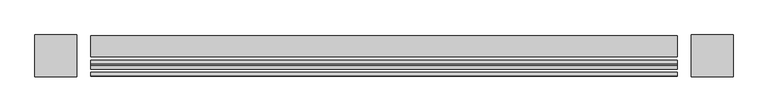
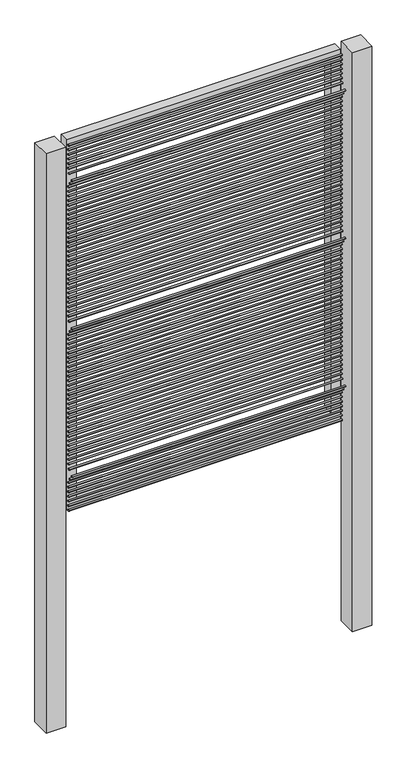
"""IFC4 building model written with IfcOpenShell, lengths in millimetres: railing geometry."""

from ifc_helpers import new_model, si_unit, point, frame, frame_2d, origin, place, context, project, spatial, polyline, circle_curve, trimmed, segment, composite_curve, outline, extrude, source, transform, mapped, element, save


def railing_b1a46bf4(model_context):
    return source(origin(), model_context, "Body", "SweptSolid", [
        extrude(outline(composite_curve([segment(trimmed(circle_curve(frame_2d((13579.8304142, 28.575)), 3.175), [point((13576.6554142, 28.575))], [point((13583.0054142, 28.575))], False, "CARTESIAN"), True, "CONTINUOUS"), segment(trimmed(circle_curve(frame_2d((13579.8304142, 28.575)), 3.175), [point((13583.0054142, 28.575))], [point((13576.6554142, 28.575))], False, "CARTESIAN"), True, "CONTINUOUS")], self_intersect=False)), frame((-19531.5806958, 0.0, 0.0), z_axis=(1.0, 0.0, 0.0), x_axis=(0.0, 1.0, 0.0)), (0.0, 0.0, 1.0), 1066.8),
        extrude(outline(composite_curve([segment(trimmed(circle_curve(frame_2d((13579.8304142, 47.625)), 3.175), [point((13576.6554142, 47.625))], [point((13583.0054142, 47.625))], False, "CARTESIAN"), True, "CONTINUOUS"), segment(trimmed(circle_curve(frame_2d((13579.8304142, 47.625)), 3.175), [point((13583.0054142, 47.625))], [point((13576.6554142, 47.625))], False, "CARTESIAN"), True, "CONTINUOUS")], self_intersect=False)), frame((-19531.5806958, 0.0, 0.0), z_axis=(1.0, 0.0, 0.0), x_axis=(0.0, 1.0, 0.0)), (0.0, 0.0, 1.0), 1066.8),
        extrude(outline(composite_curve([segment(trimmed(circle_curve(frame_2d((13579.8304142, 66.675)), 3.175), [point((13576.6554142, 66.675))], [point((13583.0054142, 66.675))], False, "CARTESIAN"), True, "CONTINUOUS"), segment(trimmed(circle_curve(frame_2d((13579.8304142, 66.675)), 3.175), [point((13583.0054142, 66.675))], [point((13576.6554142, 66.675))], False, "CARTESIAN"), True, "CONTINUOUS")], self_intersect=False)), frame((-19531.5806958, 0.0, 0.0), z_axis=(1.0, 0.0, 0.0), x_axis=(0.0, 1.0, 0.0)), (0.0, 0.0, 1.0), 1066.8),
        extrude(outline(composite_curve([segment(trimmed(circle_curve(frame_2d((13579.8304142, 85.725)), 3.175), [point((13576.6554142, 85.725))], [point((13583.0054142, 85.725))], False, "CARTESIAN"), True, "CONTINUOUS"), segment(trimmed(circle_curve(frame_2d((13579.8304142, 85.725)), 3.175), [point((13583.0054142, 85.725))], [point((13576.6554142, 85.725))], False, "CARTESIAN"), True, "CONTINUOUS")], self_intersect=False)), frame((-19531.5806958, 0.0, 0.0), z_axis=(1.0, 0.0, 0.0), x_axis=(0.0, 1.0, 0.0)), (0.0, 0.0, 1.0), 1066.8),
        extrude(outline(composite_curve([segment(trimmed(circle_curve(frame_2d((13579.8304142, 104.775)), 3.175), [point((13576.6554142, 104.775))], [point((13583.0054142, 104.775))], False, "CARTESIAN"), True, "CONTINUOUS"), segment(trimmed(circle_curve(frame_2d((13579.8304142, 104.775)), 3.175), [point((13583.0054142, 104.775))], [point((13576.6554142, 104.775))], False, "CARTESIAN"), True, "CONTINUOUS")], self_intersect=False)), frame((-19531.5806958, 0.0, 0.0), z_axis=(1.0, 0.0, 0.0), x_axis=(0.0, 1.0, 0.0)), (0.0, 0.0, 1.0), 1066.8),
        extrude(outline(composite_curve([segment(trimmed(circle_curve(frame_2d((13579.8304142, 123.825)), 3.175), [point((13576.6554142, 123.825))], [point((13583.0054142, 123.825))], False, "CARTESIAN"), True, "CONTINUOUS"), segment(trimmed(circle_curve(frame_2d((13579.8304142, 123.825)), 3.175), [point((13583.0054142, 123.825))], [point((13576.6554142, 123.825))], False, "CARTESIAN"), True, "CONTINUOUS")], self_intersect=False)), frame((-19531.5806958, 0.0, 0.0), z_axis=(1.0, 0.0, 0.0), x_axis=(0.0, 1.0, 0.0)), (0.0, 0.0, 1.0), 1066.8),
        extrude(outline(composite_curve([segment(trimmed(circle_curve(frame_2d((13579.8304142, 142.875)), 3.175), [point((13576.6554142, 142.875))], [point((13583.0054142, 142.875))], False, "CARTESIAN"), True, "CONTINUOUS"), segment(trimmed(circle_curve(frame_2d((13579.8304142, 142.875)), 3.175), [point((13583.0054142, 142.875))], [point((13576.6554142, 142.875))], False, "CARTESIAN"), True, "CONTINUOUS")], self_intersect=False)), frame((-19531.5806958, 0.0, 0.0), z_axis=(1.0, 0.0, 0.0), x_axis=(0.0, 1.0, 0.0)), (0.0, 0.0, 1.0), 1066.8),
        extrude(outline(composite_curve([segment(trimmed(circle_curve(frame_2d((13570.1771382, 161.925)), 3.175), [point((13567.0021382, 161.925))], [point((13573.3521382, 161.925))], False, "CARTESIAN"), True, "CONTINUOUS"), segment(trimmed(circle_curve(frame_2d((13570.1771382, 161.925)), 3.175), [point((13573.3521382, 161.925))], [point((13567.0021382, 161.925))], False, "CARTESIAN"), True, "CONTINUOUS")], self_intersect=False)), frame((-19531.5806958, 0.0, 0.0), z_axis=(1.0, 0.0, 0.0), x_axis=(0.0, 1.0, 0.0)), (0.0, 0.0, 1.0), 1066.8),
        extrude(outline(composite_curve([segment(trimmed(circle_curve(frame_2d((13557.4771382, 180.975)), 3.175), [point((13554.3021382, 180.975))], [point((13560.6521382, 180.975))], False, "CARTESIAN"), True, "CONTINUOUS"), segment(trimmed(circle_curve(frame_2d((13557.4771382, 180.975)), 3.175), [point((13560.6521382, 180.975))], [point((13554.3021382, 180.975))], False, "CARTESIAN"), True, "CONTINUOUS")], self_intersect=False)), frame((-19531.5806958, 0.0, 0.0), z_axis=(1.0, 0.0, 0.0), x_axis=(0.0, 1.0, 0.0)), (0.0, 0.0, 1.0), 1066.8),
        extrude(outline(composite_curve([segment(trimmed(circle_curve(frame_2d((13576.2585392, 200.025)), 3.175), [point((13573.0835392, 200.025))], [point((13579.4335392, 200.025))], False, "CARTESIAN"), True, "CONTINUOUS"), segment(trimmed(circle_curve(frame_2d((13576.2585392, 200.025)), 3.175), [point((13579.4335392, 200.025))], [point((13573.0835392, 200.025))], False, "CARTESIAN"), True, "CONTINUOUS")], self_intersect=False)), frame((-19531.5806958, 0.0, 0.0), z_axis=(1.0, 0.0, 0.0), x_axis=(0.0, 1.0, 0.0)), (0.0, 0.0, 1.0), 1066.8),
        extrude(outline(composite_curve([segment(trimmed(circle_curve(frame_2d((13579.8304142, 219.075)), 3.175), [point((13576.6554142, 219.075))], [point((13583.0054142, 219.075))], False, "CARTESIAN"), True, "CONTINUOUS"), segment(trimmed(circle_curve(frame_2d((13579.8304142, 219.075)), 3.175), [point((13583.0054142, 219.075))], [point((13576.6554142, 219.075))], False, "CARTESIAN"), True, "CONTINUOUS")], self_intersect=False)), frame((-19531.5806958, 0.0, 0.0), z_axis=(1.0, 0.0, 0.0), x_axis=(0.0, 1.0, 0.0)), (0.0, 0.0, 1.0), 1066.8),
        extrude(outline(composite_curve([segment(trimmed(circle_curve(frame_2d((13579.8304142, 238.125)), 3.175), [point((13576.6554142, 238.125))], [point((13583.0054142, 238.125))], False, "CARTESIAN"), True, "CONTINUOUS"), segment(trimmed(circle_curve(frame_2d((13579.8304142, 238.125)), 3.175), [point((13583.0054142, 238.125))], [point((13576.6554142, 238.125))], False, "CARTESIAN"), True, "CONTINUOUS")], self_intersect=False)), frame((-19531.5806958, 0.0, 0.0), z_axis=(1.0, 0.0, 0.0), x_axis=(0.0, 1.0, 0.0)), (0.0, 0.0, 1.0), 1066.8),
        extrude(outline(composite_curve([segment(trimmed(circle_curve(frame_2d((13579.8304142, 257.175)), 3.175), [point((13576.6554142, 257.175))], [point((13583.0054142, 257.175))], False, "CARTESIAN"), True, "CONTINUOUS"), segment(trimmed(circle_curve(frame_2d((13579.8304142, 257.175)), 3.175), [point((13583.0054142, 257.175))], [point((13576.6554142, 257.175))], False, "CARTESIAN"), True, "CONTINUOUS")], self_intersect=False)), frame((-19531.5806958, 0.0, 0.0), z_axis=(1.0, 0.0, 0.0), x_axis=(0.0, 1.0, 0.0)), (0.0, 0.0, 1.0), 1066.8),
        extrude(outline(composite_curve([segment(trimmed(circle_curve(frame_2d((13579.8304142, 276.225)), 3.175), [point((13576.6554142, 276.225))], [point((13583.0054142, 276.225))], False, "CARTESIAN"), True, "CONTINUOUS"), segment(trimmed(circle_curve(frame_2d((13579.8304142, 276.225)), 3.175), [point((13583.0054142, 276.225))], [point((13576.6554142, 276.225))], False, "CARTESIAN"), True, "CONTINUOUS")], self_intersect=False)), frame((-19531.5806958, 0.0, 0.0), z_axis=(1.0, 0.0, 0.0), x_axis=(0.0, 1.0, 0.0)), (0.0, 0.0, 1.0), 1066.8),
        extrude(outline(composite_curve([segment(trimmed(circle_curve(frame_2d((13579.8304142, 295.275)), 3.175), [point((13576.6554142, 295.275))], [point((13583.0054142, 295.275))], False, "CARTESIAN"), True, "CONTINUOUS"), segment(trimmed(circle_curve(frame_2d((13579.8304142, 295.275)), 3.175), [point((13583.0054142, 295.275))], [point((13576.6554142, 295.275))], False, "CARTESIAN"), True, "CONTINUOUS")], self_intersect=False)), frame((-19531.5806958, 0.0, 0.0), z_axis=(1.0, 0.0, 0.0), x_axis=(0.0, 1.0, 0.0)), (0.0, 0.0, 1.0), 1066.8),
        extrude(outline(composite_curve([segment(trimmed(circle_curve(frame_2d((13579.8304142, 314.325)), 3.175), [point((13576.6554142, 314.325))], [point((13583.0054142, 314.325))], False, "CARTESIAN"), True, "CONTINUOUS"), segment(trimmed(circle_curve(frame_2d((13579.8304142, 314.325)), 3.175), [point((13583.0054142, 314.325))], [point((13576.6554142, 314.325))], False, "CARTESIAN"), True, "CONTINUOUS")], self_intersect=False)), frame((-19531.5806958, 0.0, 0.0), z_axis=(1.0, 0.0, 0.0), x_axis=(0.0, 1.0, 0.0)), (0.0, 0.0, 1.0), 1066.8),
        extrude(outline(composite_curve([segment(trimmed(circle_curve(frame_2d((13579.8304142, 333.375)), 3.175), [point((13576.6554142, 333.375))], [point((13583.0054142, 333.375))], False, "CARTESIAN"), True, "CONTINUOUS"), segment(trimmed(circle_curve(frame_2d((13579.8304142, 333.375)), 3.175), [point((13583.0054142, 333.375))], [point((13576.6554142, 333.375))], False, "CARTESIAN"), True, "CONTINUOUS")], self_intersect=False)), frame((-19531.5806958, 0.0, 0.0), z_axis=(1.0, 0.0, 0.0), x_axis=(0.0, 1.0, 0.0)), (0.0, 0.0, 1.0), 1066.8),
        extrude(outline(composite_curve([segment(trimmed(circle_curve(frame_2d((13579.8304142, 352.425)), 3.175), [point((13576.6554142, 352.425))], [point((13583.0054142, 352.425))], False, "CARTESIAN"), True, "CONTINUOUS"), segment(trimmed(circle_curve(frame_2d((13579.8304142, 352.425)), 3.175), [point((13583.0054142, 352.425))], [point((13576.6554142, 352.425))], False, "CARTESIAN"), True, "CONTINUOUS")], self_intersect=False)), frame((-19531.5806958, 0.0, 0.0), z_axis=(1.0, 0.0, 0.0), x_axis=(0.0, 1.0, 0.0)), (0.0, 0.0, 1.0), 1066.8),
        extrude(outline(composite_curve([segment(trimmed(circle_curve(frame_2d((13579.8304142, 371.475)), 3.175), [point((13576.6554142, 371.475))], [point((13583.0054142, 371.475))], False, "CARTESIAN"), True, "CONTINUOUS"), segment(trimmed(circle_curve(frame_2d((13579.8304142, 371.475)), 3.175), [point((13583.0054142, 371.475))], [point((13576.6554142, 371.475))], False, "CARTESIAN"), True, "CONTINUOUS")], self_intersect=False)), frame((-19531.5806958, 0.0, 0.0), z_axis=(1.0, 0.0, 0.0), x_axis=(0.0, 1.0, 0.0)), (0.0, 0.0, 1.0), 1066.8),
        extrude(outline(composite_curve([segment(trimmed(circle_curve(frame_2d((13579.8304142, 390.525)), 3.175), [point((13576.6554142, 390.525))], [point((13583.0054142, 390.525))], False, "CARTESIAN"), True, "CONTINUOUS"), segment(trimmed(circle_curve(frame_2d((13579.8304142, 390.525)), 3.175), [point((13583.0054142, 390.525))], [point((13576.6554142, 390.525))], False, "CARTESIAN"), True, "CONTINUOUS")], self_intersect=False)), frame((-19531.5806958, 0.0, 0.0), z_axis=(1.0, 0.0, 0.0), x_axis=(0.0, 1.0, 0.0)), (0.0, 0.0, 1.0), 1066.8),
        extrude(outline(composite_curve([segment(trimmed(circle_curve(frame_2d((13579.8304142, 409.575)), 3.175), [point((13576.6554142, 409.575))], [point((13583.0054142, 409.575))], False, "CARTESIAN"), True, "CONTINUOUS"), segment(trimmed(circle_curve(frame_2d((13579.8304142, 409.575)), 3.175), [point((13583.0054142, 409.575))], [point((13576.6554142, 409.575))], False, "CARTESIAN"), True, "CONTINUOUS")], self_intersect=False)), frame((-19531.5806958, 0.0, 0.0), z_axis=(1.0, 0.0, 0.0), x_axis=(0.0, 1.0, 0.0)), (0.0, 0.0, 1.0), 1066.8),
        extrude(outline(composite_curve([segment(trimmed(circle_curve(frame_2d((13579.8304142, 428.625)), 3.175), [point((13576.6554142, 428.625))], [point((13583.0054142, 428.625))], False, "CARTESIAN"), True, "CONTINUOUS"), segment(trimmed(circle_curve(frame_2d((13579.8304142, 428.625)), 3.175), [point((13583.0054142, 428.625))], [point((13576.6554142, 428.625))], False, "CARTESIAN"), True, "CONTINUOUS")], self_intersect=False)), frame((-19531.5806958, 0.0, 0.0), z_axis=(1.0, 0.0, 0.0), x_axis=(0.0, 1.0, 0.0)), (0.0, 0.0, 1.0), 1066.8),
        extrude(outline(composite_curve([segment(trimmed(circle_curve(frame_2d((13579.8304142, 447.675)), 3.175), [point((13576.6554142, 447.675))], [point((13583.0054142, 447.675))], False, "CARTESIAN"), True, "CONTINUOUS"), segment(trimmed(circle_curve(frame_2d((13579.8304142, 447.675)), 3.175), [point((13583.0054142, 447.675))], [point((13576.6554142, 447.675))], False, "CARTESIAN"), True, "CONTINUOUS")], self_intersect=False)), frame((-19531.5806958, 0.0, 0.0), z_axis=(1.0, 0.0, 0.0), x_axis=(0.0, 1.0, 0.0)), (0.0, 0.0, 1.0), 1066.8),
        extrude(outline(composite_curve([segment(trimmed(circle_curve(frame_2d((13579.8304142, 466.725)), 3.175), [point((13576.6554142, 466.725))], [point((13583.0054142, 466.725))], False, "CARTESIAN"), True, "CONTINUOUS"), segment(trimmed(circle_curve(frame_2d((13579.8304142, 466.725)), 3.175), [point((13583.0054142, 466.725))], [point((13576.6554142, 466.725))], False, "CARTESIAN"), True, "CONTINUOUS")], self_intersect=False)), frame((-19531.5806958, 0.0, 0.0), z_axis=(1.0, 0.0, 0.0), x_axis=(0.0, 1.0, 0.0)), (0.0, 0.0, 1.0), 1066.8),
        extrude(outline(composite_curve([segment(trimmed(circle_curve(frame_2d((13579.8304142, 485.775)), 3.175), [point((13576.6554142, 485.775))], [point((13583.0054142, 485.775))], False, "CARTESIAN"), True, "CONTINUOUS"), segment(trimmed(circle_curve(frame_2d((13579.8304142, 485.775)), 3.175), [point((13583.0054142, 485.775))], [point((13576.6554142, 485.775))], False, "CARTESIAN"), True, "CONTINUOUS")], self_intersect=False)), frame((-19531.5806958, 0.0, 0.0), z_axis=(1.0, 0.0, 0.0), x_axis=(0.0, 1.0, 0.0)), (0.0, 0.0, 1.0), 1066.8),
        extrude(outline(composite_curve([segment(trimmed(circle_curve(frame_2d((13579.8304142, 504.825)), 3.175), [point((13576.6554142, 504.825))], [point((13583.0054142, 504.825))], False, "CARTESIAN"), True, "CONTINUOUS"), segment(trimmed(circle_curve(frame_2d((13579.8304142, 504.825)), 3.175), [point((13583.0054142, 504.825))], [point((13576.6554142, 504.825))], False, "CARTESIAN"), True, "CONTINUOUS")], self_intersect=False)), frame((-19531.5806958, 0.0, 0.0), z_axis=(1.0, 0.0, 0.0), x_axis=(0.0, 1.0, 0.0)), (0.0, 0.0, 1.0), 1066.8),
        extrude(outline(composite_curve([segment(trimmed(circle_curve(frame_2d((13579.8304142, 523.875)), 3.175), [point((13576.6554142, 523.875))], [point((13583.0054142, 523.875))], False, "CARTESIAN"), True, "CONTINUOUS"), segment(trimmed(circle_curve(frame_2d((13579.8304142, 523.875)), 3.175), [point((13583.0054142, 523.875))], [point((13576.6554142, 523.875))], False, "CARTESIAN"), True, "CONTINUOUS")], self_intersect=False)), frame((-19531.5806958, 0.0, 0.0), z_axis=(1.0, 0.0, 0.0), x_axis=(0.0, 1.0, 0.0)), (0.0, 0.0, 1.0), 1066.8),
        extrude(outline(composite_curve([segment(trimmed(circle_curve(frame_2d((13579.8304142, 542.925)), 3.175), [point((13576.6554142, 542.925))], [point((13583.0054142, 542.925))], False, "CARTESIAN"), True, "CONTINUOUS"), segment(trimmed(circle_curve(frame_2d((13579.8304142, 542.925)), 3.175), [point((13583.0054142, 542.925))], [point((13576.6554142, 542.925))], False, "CARTESIAN"), True, "CONTINUOUS")], self_intersect=False)), frame((-19531.5806958, 0.0, 0.0), z_axis=(1.0, 0.0, 0.0), x_axis=(0.0, 1.0, 0.0)), (0.0, 0.0, 1.0), 1066.8),
        extrude(outline(composite_curve([segment(trimmed(circle_curve(frame_2d((13579.8304142, 561.975)), 3.175), [point((13576.6554142, 561.975))], [point((13583.0054142, 561.975))], False, "CARTESIAN"), True, "CONTINUOUS"), segment(trimmed(circle_curve(frame_2d((13579.8304142, 561.975)), 3.175), [point((13583.0054142, 561.975))], [point((13576.6554142, 561.975))], False, "CARTESIAN"), True, "CONTINUOUS")], self_intersect=False)), frame((-19531.5806958, 0.0, 0.0), z_axis=(1.0, 0.0, 0.0), x_axis=(0.0, 1.0, 0.0)), (0.0, 0.0, 1.0), 1066.8),
        extrude(outline(composite_curve([segment(trimmed(circle_curve(frame_2d((13579.8304142, 581.025)), 3.175), [point((13576.6554142, 581.025))], [point((13583.0054142, 581.025))], False, "CARTESIAN"), True, "CONTINUOUS"), segment(trimmed(circle_curve(frame_2d((13579.8304142, 581.025)), 3.175), [point((13583.0054142, 581.025))], [point((13576.6554142, 581.025))], False, "CARTESIAN"), True, "CONTINUOUS")], self_intersect=False)), frame((-19531.5806958, 0.0, 0.0), z_axis=(1.0, 0.0, 0.0), x_axis=(0.0, 1.0, 0.0)), (0.0, 0.0, 1.0), 1066.8),
        extrude(outline(composite_curve([segment(trimmed(circle_curve(frame_2d((13579.8304142, 600.075)), 3.175), [point((13576.6554142, 600.075))], [point((13583.0054142, 600.075))], False, "CARTESIAN"), True, "CONTINUOUS"), segment(trimmed(circle_curve(frame_2d((13579.8304142, 600.075)), 3.175), [point((13583.0054142, 600.075))], [point((13576.6554142, 600.075))], False, "CARTESIAN"), True, "CONTINUOUS")], self_intersect=False)), frame((-19531.5806958, 0.0, 0.0), z_axis=(1.0, 0.0, 0.0), x_axis=(0.0, 1.0, 0.0)), (0.0, 0.0, 1.0), 1066.8),
        extrude(outline(composite_curve([segment(trimmed(circle_curve(frame_2d((13579.8304142, 619.125)), 3.175), [point((13576.6554142, 619.125))], [point((13583.0054142, 619.125))], False, "CARTESIAN"), True, "CONTINUOUS"), segment(trimmed(circle_curve(frame_2d((13579.8304142, 619.125)), 3.175), [point((13583.0054142, 619.125))], [point((13576.6554142, 619.125))], False, "CARTESIAN"), True, "CONTINUOUS")], self_intersect=False)), frame((-19531.5806958, 0.0, 0.0), z_axis=(1.0, 0.0, 0.0), x_axis=(0.0, 1.0, 0.0)), (0.0, 0.0, 1.0), 1066.8),
        extrude(outline(composite_curve([segment(trimmed(circle_curve(frame_2d((13579.8304142, 638.175)), 3.175), [point((13576.6554142, 638.175))], [point((13583.0054142, 638.175))], False, "CARTESIAN"), True, "CONTINUOUS"), segment(trimmed(circle_curve(frame_2d((13579.8304142, 638.175)), 3.175), [point((13583.0054142, 638.175))], [point((13576.6554142, 638.175))], False, "CARTESIAN"), True, "CONTINUOUS")], self_intersect=False)), frame((-19531.5806958, 0.0, 0.0), z_axis=(1.0, 0.0, 0.0), x_axis=(0.0, 1.0, 0.0)), (0.0, 0.0, 1.0), 1066.8),
        extrude(outline(composite_curve([segment(trimmed(circle_curve(frame_2d((13579.8304142, 657.225)), 3.175), [point((13576.6554142, 657.225))], [point((13583.0054142, 657.225))], False, "CARTESIAN"), True, "CONTINUOUS"), segment(trimmed(circle_curve(frame_2d((13579.8304142, 657.225)), 3.175), [point((13583.0054142, 657.225))], [point((13576.6554142, 657.225))], False, "CARTESIAN"), True, "CONTINUOUS")], self_intersect=False)), frame((-19531.5806958, 0.0, 0.0), z_axis=(1.0, 0.0, 0.0), x_axis=(0.0, 1.0, 0.0)), (0.0, 0.0, 1.0), 1066.8),
        extrude(outline(composite_curve([segment(trimmed(circle_curve(frame_2d((13579.8304142, 676.275)), 3.175), [point((13576.6554142, 676.275))], [point((13583.0054142, 676.275))], False, "CARTESIAN"), True, "CONTINUOUS"), segment(trimmed(circle_curve(frame_2d((13579.8304142, 676.275)), 3.175), [point((13583.0054142, 676.275))], [point((13576.6554142, 676.275))], False, "CARTESIAN"), True, "CONTINUOUS")], self_intersect=False)), frame((-19531.5806958, 0.0, 0.0), z_axis=(1.0, 0.0, 0.0), x_axis=(0.0, 1.0, 0.0)), (0.0, 0.0, 1.0), 1066.8),
        extrude(outline(composite_curve([segment(trimmed(circle_curve(frame_2d((13579.8304142, 695.325)), 3.175), [point((13576.6554142, 695.325))], [point((13583.0054142, 695.325))], False, "CARTESIAN"), True, "CONTINUOUS"), segment(trimmed(circle_curve(frame_2d((13579.8304142, 695.325)), 3.175), [point((13583.0054142, 695.325))], [point((13576.6554142, 695.325))], False, "CARTESIAN"), True, "CONTINUOUS")], self_intersect=False)), frame((-19531.5806958, 0.0, 0.0), z_axis=(1.0, 0.0, 0.0), x_axis=(0.0, 1.0, 0.0)), (0.0, 0.0, 1.0), 1066.8),
        extrude(outline(composite_curve([segment(trimmed(circle_curve(frame_2d((13579.8304142, 714.375)), 3.175), [point((13576.6554142, 714.375))], [point((13583.0054142, 714.375))], False, "CARTESIAN"), True, "CONTINUOUS"), segment(trimmed(circle_curve(frame_2d((13579.8304142, 714.375)), 3.175), [point((13583.0054142, 714.375))], [point((13576.6554142, 714.375))], False, "CARTESIAN"), True, "CONTINUOUS")], self_intersect=False)), frame((-19531.5806958, 0.0, 0.0), z_axis=(1.0, 0.0, 0.0), x_axis=(0.0, 1.0, 0.0)), (0.0, 0.0, 1.0), 1066.8),
        extrude(outline(composite_curve([segment(trimmed(circle_curve(frame_2d((13579.8304142, 733.425)), 3.175), [point((13576.6554142, 733.425))], [point((13583.0054142, 733.425))], False, "CARTESIAN"), True, "CONTINUOUS"), segment(trimmed(circle_curve(frame_2d((13579.8304142, 733.425)), 3.175), [point((13583.0054142, 733.425))], [point((13576.6554142, 733.425))], False, "CARTESIAN"), True, "CONTINUOUS")], self_intersect=False)), frame((-19531.5806958, 0.0, 0.0), z_axis=(1.0, 0.0, 0.0), x_axis=(0.0, 1.0, 0.0)), (0.0, 0.0, 1.0), 1066.8),
        extrude(outline(composite_curve([segment(trimmed(circle_curve(frame_2d((13579.8304142, 752.475)), 3.175), [point((13576.6554142, 752.475))], [point((13583.0054142, 752.475))], False, "CARTESIAN"), True, "CONTINUOUS"), segment(trimmed(circle_curve(frame_2d((13579.8304142, 752.475)), 3.175), [point((13583.0054142, 752.475))], [point((13576.6554142, 752.475))], False, "CARTESIAN"), True, "CONTINUOUS")], self_intersect=False)), frame((-19531.5806958, 0.0, 0.0), z_axis=(1.0, 0.0, 0.0), x_axis=(0.0, 1.0, 0.0)), (0.0, 0.0, 1.0), 1066.8),
        extrude(outline(composite_curve([segment(trimmed(circle_curve(frame_2d((13570.3054142, 771.525)), 3.175), [point((13567.1304142, 771.525))], [point((13573.4804142, 771.525))], False, "CARTESIAN"), True, "CONTINUOUS"), segment(trimmed(circle_curve(frame_2d((13570.3054142, 771.525)), 3.175), [point((13573.4804142, 771.525))], [point((13567.1304142, 771.525))], False, "CARTESIAN"), True, "CONTINUOUS")], self_intersect=False)), frame((-19531.5806958, 0.0, 0.0), z_axis=(1.0, 0.0, 0.0), x_axis=(0.0, 1.0, 0.0)), (0.0, 0.0, 1.0), 1066.8),
        extrude(outline(composite_curve([segment(trimmed(circle_curve(frame_2d((13557.6054142, 790.575)), 3.175), [point((13554.4304142, 790.575))], [point((13560.7804142, 790.575))], False, "CARTESIAN"), True, "CONTINUOUS"), segment(trimmed(circle_curve(frame_2d((13557.6054142, 790.575)), 3.175), [point((13560.7804142, 790.575))], [point((13554.4304142, 790.575))], False, "CARTESIAN"), True, "CONTINUOUS")], self_intersect=False)), frame((-19531.5806958, 0.0, 0.0), z_axis=(1.0, 0.0, 0.0), x_axis=(0.0, 1.0, 0.0)), (0.0, 0.0, 1.0), 1066.8),
        extrude(outline(composite_curve([segment(trimmed(circle_curve(frame_2d((13576.6554142, 809.625)), 3.175), [point((13573.4804142, 809.625))], [point((13579.8304142, 809.625))], False, "CARTESIAN"), True, "CONTINUOUS"), segment(trimmed(circle_curve(frame_2d((13576.6554142, 809.625)), 3.175), [point((13579.8304142, 809.625))], [point((13573.4804142, 809.625))], False, "CARTESIAN"), True, "CONTINUOUS")], self_intersect=False)), frame((-19531.5806958, 0.0, 0.0), z_axis=(1.0, 0.0, 0.0), x_axis=(0.0, 1.0, 0.0)), (0.0, 0.0, 1.0), 1066.8),
        extrude(outline(composite_curve([segment(trimmed(circle_curve(frame_2d((13579.8304142, 828.675)), 3.175), [point((13576.6554142, 828.675))], [point((13583.0054142, 828.675))], False, "CARTESIAN"), True, "CONTINUOUS"), segment(trimmed(circle_curve(frame_2d((13579.8304142, 828.675)), 3.175), [point((13583.0054142, 828.675))], [point((13576.6554142, 828.675))], False, "CARTESIAN"), True, "CONTINUOUS")], self_intersect=False)), frame((-19531.5806958, 0.0, 0.0), z_axis=(1.0, 0.0, 0.0), x_axis=(0.0, 1.0, 0.0)), (0.0, 0.0, 1.0), 1066.8),
        extrude(outline(composite_curve([segment(trimmed(circle_curve(frame_2d((13579.8304142, 847.725)), 3.175), [point((13576.6554142, 847.725))], [point((13583.0054142, 847.725))], False, "CARTESIAN"), True, "CONTINUOUS"), segment(trimmed(circle_curve(frame_2d((13579.8304142, 847.725)), 3.175), [point((13583.0054142, 847.725))], [point((13576.6554142, 847.725))], False, "CARTESIAN"), True, "CONTINUOUS")], self_intersect=False)), frame((-19531.5806958, 0.0, 0.0), z_axis=(1.0, 0.0, 0.0), x_axis=(0.0, 1.0, 0.0)), (0.0, 0.0, 1.0), 1066.8),
        extrude(outline(composite_curve([segment(trimmed(circle_curve(frame_2d((13579.8304142, 866.775)), 3.175), [point((13576.6554142, 866.775))], [point((13583.0054142, 866.775))], False, "CARTESIAN"), True, "CONTINUOUS"), segment(trimmed(circle_curve(frame_2d((13579.8304142, 866.775)), 3.175), [point((13583.0054142, 866.775))], [point((13576.6554142, 866.775))], False, "CARTESIAN"), True, "CONTINUOUS")], self_intersect=False)), frame((-19531.5806958, 0.0, 0.0), z_axis=(1.0, 0.0, 0.0), x_axis=(0.0, 1.0, 0.0)), (0.0, 0.0, 1.0), 1066.8),
        extrude(outline(composite_curve([segment(trimmed(circle_curve(frame_2d((13579.8304142, 885.825)), 3.175), [point((13576.6554142, 885.825))], [point((13583.0054142, 885.825))], False, "CARTESIAN"), True, "CONTINUOUS"), segment(trimmed(circle_curve(frame_2d((13579.8304142, 885.825)), 3.175), [point((13583.0054142, 885.825))], [point((13576.6554142, 885.825))], False, "CARTESIAN"), True, "CONTINUOUS")], self_intersect=False)), frame((-19531.5806958, 0.0, 0.0), z_axis=(1.0, 0.0, 0.0), x_axis=(0.0, 1.0, 0.0)), (0.0, 0.0, 1.0), 1066.8),
        extrude(outline(composite_curve([segment(trimmed(circle_curve(frame_2d((13579.8304142, 904.875)), 3.175), [point((13576.6554142, 904.875))], [point((13583.0054142, 904.875))], False, "CARTESIAN"), True, "CONTINUOUS"), segment(trimmed(circle_curve(frame_2d((13579.8304142, 904.875)), 3.175), [point((13583.0054142, 904.875))], [point((13576.6554142, 904.875))], False, "CARTESIAN"), True, "CONTINUOUS")], self_intersect=False)), frame((-19531.5806958, 0.0, 0.0), z_axis=(1.0, 0.0, 0.0), x_axis=(0.0, 1.0, 0.0)), (0.0, 0.0, 1.0), 1066.8),
        extrude(outline(composite_curve([segment(trimmed(circle_curve(frame_2d((13579.8304142, 923.925)), 3.175), [point((13576.6554142, 923.925))], [point((13583.0054142, 923.925))], False, "CARTESIAN"), True, "CONTINUOUS"), segment(trimmed(circle_curve(frame_2d((13579.8304142, 923.925)), 3.175), [point((13583.0054142, 923.925))], [point((13576.6554142, 923.925))], False, "CARTESIAN"), True, "CONTINUOUS")], self_intersect=False)), frame((-19531.5806958, 0.0, 0.0), z_axis=(1.0, 0.0, 0.0), x_axis=(0.0, 1.0, 0.0)), (0.0, 0.0, 1.0), 1066.8),
        extrude(outline(composite_curve([segment(trimmed(circle_curve(frame_2d((13579.8304142, 942.975)), 3.175), [point((13576.6554142, 942.975))], [point((13583.0054142, 942.975))], False, "CARTESIAN"), True, "CONTINUOUS"), segment(trimmed(circle_curve(frame_2d((13579.8304142, 942.975)), 3.175), [point((13583.0054142, 942.975))], [point((13576.6554142, 942.975))], False, "CARTESIAN"), True, "CONTINUOUS")], self_intersect=False)), frame((-19531.5806958, 0.0, 0.0), z_axis=(1.0, 0.0, 0.0), x_axis=(0.0, 1.0, 0.0)), (0.0, 0.0, 1.0), 1066.8),
        extrude(outline(composite_curve([segment(trimmed(circle_curve(frame_2d((13579.8304142, 962.025)), 3.175), [point((13576.6554142, 962.025))], [point((13583.0054142, 962.025))], False, "CARTESIAN"), True, "CONTINUOUS"), segment(trimmed(circle_curve(frame_2d((13579.8304142, 962.025)), 3.175), [point((13583.0054142, 962.025))], [point((13576.6554142, 962.025))], False, "CARTESIAN"), True, "CONTINUOUS")], self_intersect=False)), frame((-19531.5806958, 0.0, 0.0), z_axis=(1.0, 0.0, 0.0), x_axis=(0.0, 1.0, 0.0)), (0.0, 0.0, 1.0), 1066.8),
        extrude(outline(composite_curve([segment(trimmed(circle_curve(frame_2d((13579.8304142, 981.075)), 3.175), [point((13576.6554142, 981.075))], [point((13583.0054142, 981.075))], False, "CARTESIAN"), True, "CONTINUOUS"), segment(trimmed(circle_curve(frame_2d((13579.8304142, 981.075)), 3.175), [point((13583.0054142, 981.075))], [point((13576.6554142, 981.075))], False, "CARTESIAN"), True, "CONTINUOUS")], self_intersect=False)), frame((-19531.5806958, 0.0, 0.0), z_axis=(1.0, 0.0, 0.0), x_axis=(0.0, 1.0, 0.0)), (0.0, 0.0, 1.0), 1066.8),
        extrude(outline(composite_curve([segment(trimmed(circle_curve(frame_2d((13579.8304142, 1000.125)), 3.175), [point((13576.6554142, 1000.125))], [point((13583.0054142, 1000.125))], False, "CARTESIAN"), True, "CONTINUOUS"), segment(trimmed(circle_curve(frame_2d((13579.8304142, 1000.125)), 3.175), [point((13583.0054142, 1000.125))], [point((13576.6554142, 1000.125))], False, "CARTESIAN"), True, "CONTINUOUS")], self_intersect=False)), frame((-19531.5806958, 0.0, 0.0), z_axis=(1.0, 0.0, 0.0), x_axis=(0.0, 1.0, 0.0)), (0.0, 0.0, 1.0), 1066.8),
        extrude(outline(composite_curve([segment(trimmed(circle_curve(frame_2d((13579.8304142, 1019.175)), 3.175), [point((13576.6554142, 1019.175))], [point((13583.0054142, 1019.175))], False, "CARTESIAN"), True, "CONTINUOUS"), segment(trimmed(circle_curve(frame_2d((13579.8304142, 1019.175)), 3.175), [point((13583.0054142, 1019.175))], [point((13576.6554142, 1019.175))], False, "CARTESIAN"), True, "CONTINUOUS")], self_intersect=False)), frame((-19531.5806958, 0.0, 0.0), z_axis=(1.0, 0.0, 0.0), x_axis=(0.0, 1.0, 0.0)), (0.0, 0.0, 1.0), 1066.8),
        extrude(outline(composite_curve([segment(trimmed(circle_curve(frame_2d((13579.8304142, 1038.225)), 3.175), [point((13576.6554142, 1038.225))], [point((13583.0054142, 1038.225))], False, "CARTESIAN"), True, "CONTINUOUS"), segment(trimmed(circle_curve(frame_2d((13579.8304142, 1038.225)), 3.175), [point((13583.0054142, 1038.225))], [point((13576.6554142, 1038.225))], False, "CARTESIAN"), True, "CONTINUOUS")], self_intersect=False)), frame((-19531.5806958, 0.0, 0.0), z_axis=(1.0, 0.0, 0.0), x_axis=(0.0, 1.0, 0.0)), (0.0, 0.0, 1.0), 1066.8),
        extrude(outline(composite_curve([segment(trimmed(circle_curve(frame_2d((13579.8304142, 1057.275)), 3.175), [point((13576.6554142, 1057.275))], [point((13583.0054142, 1057.275))], False, "CARTESIAN"), True, "CONTINUOUS"), segment(trimmed(circle_curve(frame_2d((13579.8304142, 1057.275)), 3.175), [point((13583.0054142, 1057.275))], [point((13576.6554142, 1057.275))], False, "CARTESIAN"), True, "CONTINUOUS")], self_intersect=False)), frame((-19531.5806958, 0.0, 0.0), z_axis=(1.0, 0.0, 0.0), x_axis=(0.0, 1.0, 0.0)), (0.0, 0.0, 1.0), 1066.8),
        extrude(outline(composite_curve([segment(trimmed(circle_curve(frame_2d((13579.8304142, 1076.325)), 3.175), [point((13576.6554142, 1076.325))], [point((13583.0054142, 1076.325))], False, "CARTESIAN"), True, "CONTINUOUS"), segment(trimmed(circle_curve(frame_2d((13579.8304142, 1076.325)), 3.175), [point((13583.0054142, 1076.325))], [point((13576.6554142, 1076.325))], False, "CARTESIAN"), True, "CONTINUOUS")], self_intersect=False)), frame((-19531.5806958, 0.0, 0.0), z_axis=(1.0, 0.0, 0.0), x_axis=(0.0, 1.0, 0.0)), (0.0, 0.0, 1.0), 1066.8),
        extrude(outline(composite_curve([segment(trimmed(circle_curve(frame_2d((13579.8304142, 1095.375)), 3.175), [point((13576.6554142, 1095.375))], [point((13583.0054142, 1095.375))], False, "CARTESIAN"), True, "CONTINUOUS"), segment(trimmed(circle_curve(frame_2d((13579.8304142, 1095.375)), 3.175), [point((13583.0054142, 1095.375))], [point((13576.6554142, 1095.375))], False, "CARTESIAN"), True, "CONTINUOUS")], self_intersect=False)), frame((-19531.5806958, 0.0, 0.0), z_axis=(1.0, 0.0, 0.0), x_axis=(0.0, 1.0, 0.0)), (0.0, 0.0, 1.0), 1066.8),
        extrude(outline(composite_curve([segment(trimmed(circle_curve(frame_2d((13579.8304142, 1114.425)), 3.175), [point((13576.6554142, 1114.425))], [point((13583.0054142, 1114.425))], False, "CARTESIAN"), True, "CONTINUOUS"), segment(trimmed(circle_curve(frame_2d((13579.8304142, 1114.425)), 3.175), [point((13583.0054142, 1114.425))], [point((13576.6554142, 1114.425))], False, "CARTESIAN"), True, "CONTINUOUS")], self_intersect=False)), frame((-19531.5806958, 0.0, 0.0), z_axis=(1.0, 0.0, 0.0), x_axis=(0.0, 1.0, 0.0)), (0.0, 0.0, 1.0), 1066.8),
        extrude(outline(composite_curve([segment(trimmed(circle_curve(frame_2d((13579.8304142, 1133.475)), 3.175), [point((13576.6554142, 1133.475))], [point((13583.0054142, 1133.475))], False, "CARTESIAN"), True, "CONTINUOUS"), segment(trimmed(circle_curve(frame_2d((13579.8304142, 1133.475)), 3.175), [point((13583.0054142, 1133.475))], [point((13576.6554142, 1133.475))], False, "CARTESIAN"), True, "CONTINUOUS")], self_intersect=False)), frame((-19531.5806958, 0.0, 0.0), z_axis=(1.0, 0.0, 0.0), x_axis=(0.0, 1.0, 0.0)), (0.0, 0.0, 1.0), 1066.8),
        extrude(outline(composite_curve([segment(trimmed(circle_curve(frame_2d((13579.8304142, 1152.525)), 3.175), [point((13576.6554142, 1152.525))], [point((13583.0054142, 1152.525))], False, "CARTESIAN"), True, "CONTINUOUS"), segment(trimmed(circle_curve(frame_2d((13579.8304142, 1152.525)), 3.175), [point((13583.0054142, 1152.525))], [point((13576.6554142, 1152.525))], False, "CARTESIAN"), True, "CONTINUOUS")], self_intersect=False)), frame((-19531.5806958, 0.0, 0.0), z_axis=(1.0, 0.0, 0.0), x_axis=(0.0, 1.0, 0.0)), (0.0, 0.0, 1.0), 1066.8),
        extrude(outline(composite_curve([segment(trimmed(circle_curve(frame_2d((13579.8304142, 1171.575)), 3.175), [point((13576.6554142, 1171.575))], [point((13583.0054142, 1171.575))], False, "CARTESIAN"), True, "CONTINUOUS"), segment(trimmed(circle_curve(frame_2d((13579.8304142, 1171.575)), 3.175), [point((13583.0054142, 1171.575))], [point((13576.6554142, 1171.575))], False, "CARTESIAN"), True, "CONTINUOUS")], self_intersect=False)), frame((-19531.5806958, 0.0, 0.0), z_axis=(1.0, 0.0, 0.0), x_axis=(0.0, 1.0, 0.0)), (0.0, 0.0, 1.0), 1066.8),
        extrude(outline(composite_curve([segment(trimmed(circle_curve(frame_2d((13579.8304142, 1190.625)), 3.175), [point((13576.6554142, 1190.625))], [point((13583.0054142, 1190.625))], False, "CARTESIAN"), True, "CONTINUOUS"), segment(trimmed(circle_curve(frame_2d((13579.8304142, 1190.625)), 3.175), [point((13583.0054142, 1190.625))], [point((13576.6554142, 1190.625))], False, "CARTESIAN"), True, "CONTINUOUS")], self_intersect=False)), frame((-19531.5806958, 0.0, 0.0), z_axis=(1.0, 0.0, 0.0), x_axis=(0.0, 1.0, 0.0)), (0.0, 0.0, 1.0), 1066.8),
        extrude(outline(composite_curve([segment(trimmed(circle_curve(frame_2d((13579.8304142, 1209.675)), 3.175), [point((13576.6554142, 1209.675))], [point((13583.0054142, 1209.675))], False, "CARTESIAN"), True, "CONTINUOUS"), segment(trimmed(circle_curve(frame_2d((13579.8304142, 1209.675)), 3.175), [point((13583.0054142, 1209.675))], [point((13576.6554142, 1209.675))], False, "CARTESIAN"), True, "CONTINUOUS")], self_intersect=False)), frame((-19531.5806958, 0.0, 0.0), z_axis=(1.0, 0.0, 0.0), x_axis=(0.0, 1.0, 0.0)), (0.0, 0.0, 1.0), 1066.8),
        extrude(outline(composite_curve([segment(trimmed(circle_curve(frame_2d((13579.8304142, 1228.725)), 3.175), [point((13576.6554142, 1228.725))], [point((13583.0054142, 1228.725))], False, "CARTESIAN"), True, "CONTINUOUS"), segment(trimmed(circle_curve(frame_2d((13579.8304142, 1228.725)), 3.175), [point((13583.0054142, 1228.725))], [point((13576.6554142, 1228.725))], False, "CARTESIAN"), True, "CONTINUOUS")], self_intersect=False)), frame((-19531.5806958, 0.0, 0.0), z_axis=(1.0, 0.0, 0.0), x_axis=(0.0, 1.0, 0.0)), (0.0, 0.0, 1.0), 1066.8),
        extrude(outline(composite_curve([segment(trimmed(circle_curve(frame_2d((13579.8304142, 1247.775)), 3.175), [point((13576.6554142, 1247.775))], [point((13583.0054142, 1247.775))], False, "CARTESIAN"), True, "CONTINUOUS"), segment(trimmed(circle_curve(frame_2d((13579.8304142, 1247.775)), 3.175), [point((13583.0054142, 1247.775))], [point((13576.6554142, 1247.775))], False, "CARTESIAN"), True, "CONTINUOUS")], self_intersect=False)), frame((-19531.5806958, 0.0, 0.0), z_axis=(1.0, 0.0, 0.0), x_axis=(0.0, 1.0, 0.0)), (0.0, 0.0, 1.0), 1066.8),
        extrude(outline(composite_curve([segment(trimmed(circle_curve(frame_2d((13579.8304142, 1266.825)), 3.175), [point((13576.6554142, 1266.825))], [point((13583.0054142, 1266.825))], False, "CARTESIAN"), True, "CONTINUOUS"), segment(trimmed(circle_curve(frame_2d((13579.8304142, 1266.825)), 3.175), [point((13583.0054142, 1266.825))], [point((13576.6554142, 1266.825))], False, "CARTESIAN"), True, "CONTINUOUS")], self_intersect=False)), frame((-19531.5806958, 0.0, 0.0), z_axis=(1.0, 0.0, 0.0), x_axis=(0.0, 1.0, 0.0)), (0.0, 0.0, 1.0), 1066.8),
        extrude(outline(composite_curve([segment(trimmed(circle_curve(frame_2d((13579.8304142, 1285.875)), 3.175), [point((13576.6554142, 1285.875))], [point((13583.0054142, 1285.875))], False, "CARTESIAN"), True, "CONTINUOUS"), segment(trimmed(circle_curve(frame_2d((13579.8304142, 1285.875)), 3.175), [point((13583.0054142, 1285.875))], [point((13576.6554142, 1285.875))], False, "CARTESIAN"), True, "CONTINUOUS")], self_intersect=False)), frame((-19531.5806958, 0.0, 0.0), z_axis=(1.0, 0.0, 0.0), x_axis=(0.0, 1.0, 0.0)), (0.0, 0.0, 1.0), 1066.8),
        extrude(outline(composite_curve([segment(trimmed(circle_curve(frame_2d((13579.8304142, 1304.925)), 3.175), [point((13576.6554142, 1304.925))], [point((13583.0054142, 1304.925))], False, "CARTESIAN"), True, "CONTINUOUS"), segment(trimmed(circle_curve(frame_2d((13579.8304142, 1304.925)), 3.175), [point((13583.0054142, 1304.925))], [point((13576.6554142, 1304.925))], False, "CARTESIAN"), True, "CONTINUOUS")], self_intersect=False)), frame((-19531.5806958, 0.0, 0.0), z_axis=(1.0, 0.0, 0.0), x_axis=(0.0, 1.0, 0.0)), (0.0, 0.0, 1.0), 1066.8),
        extrude(outline(composite_curve([segment(trimmed(circle_curve(frame_2d((13579.8304142, 1323.975)), 3.175), [point((13576.6554142, 1323.975))], [point((13583.0054142, 1323.975))], False, "CARTESIAN"), True, "CONTINUOUS"), segment(trimmed(circle_curve(frame_2d((13579.8304142, 1323.975)), 3.175), [point((13583.0054142, 1323.975))], [point((13576.6554142, 1323.975))], False, "CARTESIAN"), True, "CONTINUOUS")], self_intersect=False)), frame((-19531.5806958, 0.0, 0.0), z_axis=(1.0, 0.0, 0.0), x_axis=(0.0, 1.0, 0.0)), (0.0, 0.0, 1.0), 1066.8),
        extrude(outline(composite_curve([segment(trimmed(circle_curve(frame_2d((13579.8304142, 1343.025)), 3.175), [point((13576.6554142, 1343.025))], [point((13583.0054142, 1343.025))], False, "CARTESIAN"), True, "CONTINUOUS"), segment(trimmed(circle_curve(frame_2d((13579.8304142, 1343.025)), 3.175), [point((13583.0054142, 1343.025))], [point((13576.6554142, 1343.025))], False, "CARTESIAN"), True, "CONTINUOUS")], self_intersect=False)), frame((-19531.5806958, 0.0, 0.0), z_axis=(1.0, 0.0, 0.0), x_axis=(0.0, 1.0, 0.0)), (0.0, 0.0, 1.0), 1066.8),
        extrude(outline(composite_curve([segment(trimmed(circle_curve(frame_2d((13579.8304142, 1362.075)), 3.175), [point((13576.6554142, 1362.075))], [point((13583.0054142, 1362.075))], False, "CARTESIAN"), True, "CONTINUOUS"), segment(trimmed(circle_curve(frame_2d((13579.8304142, 1362.075)), 3.175), [point((13583.0054142, 1362.075))], [point((13576.6554142, 1362.075))], False, "CARTESIAN"), True, "CONTINUOUS")], self_intersect=False)), frame((-19531.5806958, 0.0, 0.0), z_axis=(1.0, 0.0, 0.0), x_axis=(0.0, 1.0, 0.0)), (0.0, 0.0, 1.0), 1066.8),
        extrude(outline(composite_curve([segment(trimmed(circle_curve(frame_2d((13569.5116642, 1381.125)), 3.175), [point((13566.3366642, 1381.125))], [point((13572.6866642, 1381.125))], False, "CARTESIAN"), True, "CONTINUOUS"), segment(trimmed(circle_curve(frame_2d((13569.5116642, 1381.125)), 3.175), [point((13572.6866642, 1381.125))], [point((13566.3366642, 1381.125))], False, "CARTESIAN"), True, "CONTINUOUS")], self_intersect=False)), frame((-19531.5806958, 0.0, 0.0), z_axis=(1.0, 0.0, 0.0), x_axis=(0.0, 1.0, 0.0)), (0.0, 0.0, 1.0), 1066.8),
        extrude(outline(composite_curve([segment(trimmed(circle_curve(frame_2d((13557.6054142, 1400.175)), 3.175), [point((13554.4304142, 1400.175))], [point((13560.7804142, 1400.175))], False, "CARTESIAN"), True, "CONTINUOUS"), segment(trimmed(circle_curve(frame_2d((13557.6054142, 1400.175)), 3.175), [point((13560.7804142, 1400.175))], [point((13554.4304142, 1400.175))], False, "CARTESIAN"), True, "CONTINUOUS")], self_intersect=False)), frame((-19531.5806958, 0.0, 0.0), z_axis=(1.0, 0.0, 0.0), x_axis=(0.0, 1.0, 0.0)), (0.0, 0.0, 1.0), 1066.8),
        extrude(outline(composite_curve([segment(trimmed(circle_curve(frame_2d((13576.6554142, 1419.225)), 3.175), [point((13573.4804142, 1419.225))], [point((13579.8304142, 1419.225))], False, "CARTESIAN"), True, "CONTINUOUS"), segment(trimmed(circle_curve(frame_2d((13576.6554142, 1419.225)), 3.175), [point((13579.8304142, 1419.225))], [point((13573.4804142, 1419.225))], False, "CARTESIAN"), True, "CONTINUOUS")], self_intersect=False)), frame((-19531.5806958, 0.0, 0.0), z_axis=(1.0, 0.0, 0.0), x_axis=(0.0, 1.0, 0.0)), (0.0, 0.0, 1.0), 1066.8),
        extrude(outline(composite_curve([segment(trimmed(circle_curve(frame_2d((13579.8304142, 1438.275)), 3.175), [point((13576.6554142, 1438.275))], [point((13583.0054142, 1438.275))], False, "CARTESIAN"), True, "CONTINUOUS"), segment(trimmed(circle_curve(frame_2d((13579.8304142, 1438.275)), 3.175), [point((13583.0054142, 1438.275))], [point((13576.6554142, 1438.275))], False, "CARTESIAN"), True, "CONTINUOUS")], self_intersect=False)), frame((-19531.5806958, 0.0, 0.0), z_axis=(1.0, 0.0, 0.0), x_axis=(0.0, 1.0, 0.0)), (0.0, 0.0, 1.0), 1066.8),
        extrude(outline(composite_curve([segment(trimmed(circle_curve(frame_2d((13579.8304142, 1457.325)), 3.175), [point((13576.6554142, 1457.325))], [point((13583.0054142, 1457.325))], False, "CARTESIAN"), True, "CONTINUOUS"), segment(trimmed(circle_curve(frame_2d((13579.8304142, 1457.325)), 3.175), [point((13583.0054142, 1457.325))], [point((13576.6554142, 1457.325))], False, "CARTESIAN"), True, "CONTINUOUS")], self_intersect=False)), frame((-19531.5806958, 0.0, 0.0), z_axis=(1.0, 0.0, 0.0), x_axis=(0.0, 1.0, 0.0)), (0.0, 0.0, 1.0), 1066.8),
        extrude(outline(composite_curve([segment(trimmed(circle_curve(frame_2d((13579.8304142, 1476.375)), 3.175), [point((13576.6554142, 1476.375))], [point((13583.0054142, 1476.375))], False, "CARTESIAN"), True, "CONTINUOUS"), segment(trimmed(circle_curve(frame_2d((13579.8304142, 1476.375)), 3.175), [point((13583.0054142, 1476.375))], [point((13576.6554142, 1476.375))], False, "CARTESIAN"), True, "CONTINUOUS")], self_intersect=False)), frame((-19531.5806958, 0.0, 0.0), z_axis=(1.0, 0.0, 0.0), x_axis=(0.0, 1.0, 0.0)), (0.0, 0.0, 1.0), 1066.8),
        extrude(outline(composite_curve([segment(trimmed(circle_curve(frame_2d((13579.8304142, 1495.425)), 3.175), [point((13576.6554142, 1495.425))], [point((13583.0054142, 1495.425))], False, "CARTESIAN"), True, "CONTINUOUS"), segment(trimmed(circle_curve(frame_2d((13579.8304142, 1495.425)), 3.175), [point((13583.0054142, 1495.425))], [point((13576.6554142, 1495.425))], False, "CARTESIAN"), True, "CONTINUOUS")], self_intersect=False)), frame((-19531.5806958, 0.0, 0.0), z_axis=(1.0, 0.0, 0.0), x_axis=(0.0, 1.0, 0.0)), (0.0, 0.0, 1.0), 1066.8),
        extrude(outline(composite_curve([segment(trimmed(circle_curve(frame_2d((13579.8304142, 1514.475)), 3.175), [point((13576.6554142, 1514.475))], [point((13583.0054142, 1514.475))], False, "CARTESIAN"), True, "CONTINUOUS"), segment(trimmed(circle_curve(frame_2d((13579.8304142, 1514.475)), 3.175), [point((13583.0054142, 1514.475))], [point((13576.6554142, 1514.475))], False, "CARTESIAN"), True, "CONTINUOUS")], self_intersect=False)), frame((-19531.5806958, 0.0, 0.0), z_axis=(1.0, 0.0, 0.0), x_axis=(0.0, 1.0, 0.0)), (0.0, 0.0, 1.0), 1066.8),
        extrude(outline(composite_curve([segment(trimmed(circle_curve(frame_2d((13579.8304142, 1533.525)), 3.175), [point((13576.6554142, 1533.525))], [point((13583.0054142, 1533.525))], False, "CARTESIAN"), True, "CONTINUOUS"), segment(trimmed(circle_curve(frame_2d((13579.8304142, 1533.525)), 3.175), [point((13583.0054142, 1533.525))], [point((13576.6554142, 1533.525))], False, "CARTESIAN"), True, "CONTINUOUS")], self_intersect=False)), frame((-19531.5806958, 0.0, 0.0), z_axis=(1.0, 0.0, 0.0), x_axis=(0.0, 1.0, 0.0)), (0.0, 0.0, 1.0), 1066.8),
        extrude(outline(polyline([(1549.4, -18464.7806958), (1549.4, -19531.5806958), (25.4, -19531.5806958), (25.4, -18464.7806958), (1549.4, -18464.7806958)]), holes=[polyline([(1511.3, -18502.8806958), (63.5, -18502.8806958), (63.5, -19493.4806958), (1511.3, -19493.4806958), (1511.3, -18502.8806958)])]), frame((0.0, 13589.3554142, 0.0), z_axis=(0.0, 1.0, 0.0), x_axis=(0.0, 0.0, 1.0)), (0.0, 0.0, 1.0), 38.1),
        extrude(outline(polyline([(-18363.1806958, 13629.0429142), (-18363.1806958, 13552.8429142), (-18439.3806958, 13552.8429142), (-18439.3806958, 13629.0429142), (-18363.1806958, 13629.0429142)])), frame((0.0, 0.0, -838.2), z_axis=(0.0, 0.0, 1.0), x_axis=(1.0, 0.0, 0.0)), (0.0, 0.0, 1.0), 2387.6),
        extrude(outline(polyline([(-19556.9806958, 13629.0429142), (-19556.9806958, 13552.8429142), (-19633.1806958, 13552.8429142), (-19633.1806958, 13629.0429142), (-19556.9806958, 13629.0429142)])), frame((0.0, 0.0, -838.2), z_axis=(0.0, 0.0, 1.0), x_axis=(1.0, 0.0, 0.0)), (0.0, 0.0, 1.0), 2387.6),
    ])


if __name__ == "__main__":
    model = new_model("IFC4")
    model_context = context("Model", 3, world=origin())
    ifc_project = project(units=[si_unit("LENGTHUNIT", "METRE", prefix="MILLI")], contexts=[model_context])
    site = spatial("IfcSite", under=ifc_project)
    building = spatial("IfcBuilding", under=site)
    placement = place(None, origin())
    railing_shape = railing_b1a46bf4(model_context)
    element("IfcRailing", 1, at=placement, inside=building, context=model_context, shape_type="MappedRepresentation", body=[
        mapped(railing_shape, transform((0.0, 0.0, 0.0), x_axis=(1.0, 0.0, 0.0), y_axis=(0.0, 1.0, 0.0), z_axis=(0.0, 0.0, 1.0))),
    ])
    save(model, "model.ifc")
